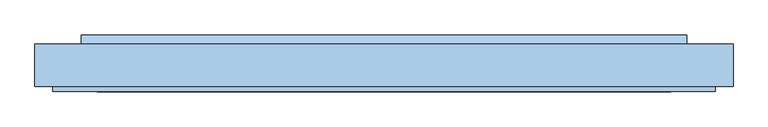
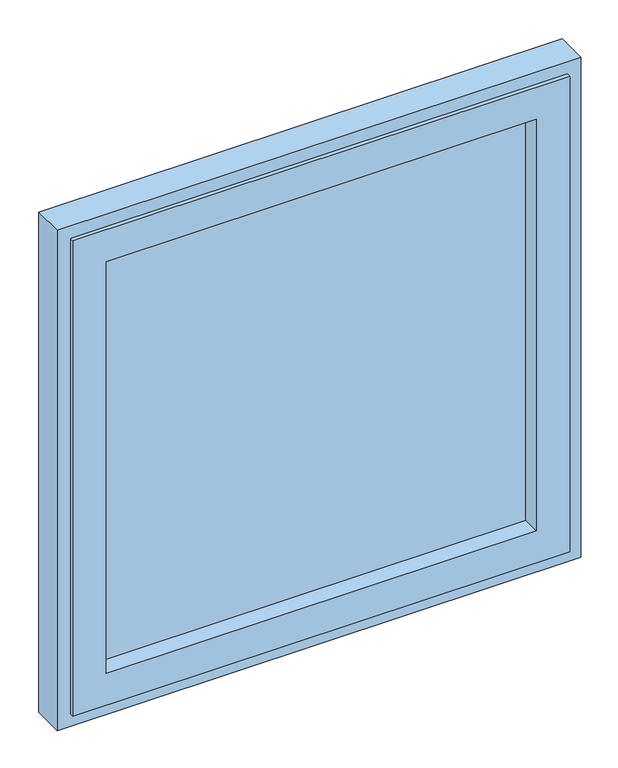
"""IFC4 building model written with IfcOpenShell, lengths in millimetres: window geometry."""

import ifcopenshell
import ifcopenshell.guid

model = None  # the IFC model being written
_history = None  # IfcOwnerHistory: only IFC2X3 demands one
_inside = {}  # id of a spatial element -> (the spatial element, [elements in it])
_under = {}  # id of a project, library or spatial element -> (it, [spatial elements below it])
_declared = {}  # id of a project -> (the project, [libraries it declares])
_typed = {}  # id of a type object -> (the type object, [elements of that type])
_made_of = {}  # id of a material, layer set ... -> (it, [elements and type objects made of it])


def new_model(schema):
    """Start an empty IFC model of exactly this schema.

    Asked for "IFC4X3", IfcOpenShell would pick the latest addendum, in which some entities
    have other attributes; the version numbers below select the first issue.
    IFC2X3 requires an IfcOwnerHistory on every rooted entity: one is made here for all.
    """
    global model, _history
    if schema == "IFC4X3":
        model = ifcopenshell.file(schema_version=(4, 3, 0, 0))
    else:
        model = ifcopenshell.file(schema=schema)
    _inside.clear()
    _under.clear()
    _declared.clear()
    _typed.clear()
    _made_of.clear()
    _history = None
    if model.schema == "IFC2X3":
        org = make("IfcOrganization", Name="unknown")
        user = make(
            "IfcPersonAndOrganization",
            ThePerson=make("IfcPerson", FamilyName="unknown"),
            TheOrganization=org,
        )
        app = make(
            "IfcApplication",
            ApplicationDeveloper=org,
            Version="unknown",
            ApplicationFullName="unknown",
            ApplicationIdentifier="unknown",
        )
        _history = make(
            "IfcOwnerHistory",
            OwningUser=user,
            OwningApplication=app,
            ChangeAction="ADDED",
            CreationDate=0,
        )
    return model


def make(cls, **values):
    """One entity of the class cls with the attributes given. An attribute that is None is left unset."""
    return model.create_entity(
        cls, **{name: value for name, value in values.items() if value is not None}
    )


def rooted(cls, **values):
    """An entity with a GlobalId (a new one), such as an element, a storey or a relation."""
    return make(cls, GlobalId=ifcopenshell.guid.new(), OwnerHistory=_history, **values)


def si_unit(unit_type, name, prefix=None):
    """IfcSIUnit, for example si_unit("LENGTHUNIT", "METRE", prefix="MILLI")."""
    return make("IfcSIUnit", UnitType=unit_type, Prefix=prefix, Name=name)


def assignment(units):
    """IfcUnitAssignment: the units of a project."""
    return None if units is None else make("IfcUnitAssignment", Units=units)


def point(xyz):
    """IfcCartesianPoint."""
    return None if xyz is None else make("IfcCartesianPoint", Coordinates=xyz)


def direction(xyz):
    """IfcDirection."""
    return None if xyz is None else make("IfcDirection", DirectionRatios=xyz)


def frame(location, z_axis=None, x_axis=None):
    """IfcAxis2Placement3D, a coordinate frame: its origin and axes. An axis left out is left unset."""
    return make(
        "IfcAxis2Placement3D",
        Location=point(location),
        Axis=direction(z_axis),
        RefDirection=direction(x_axis),
    )


def origin():
    """The frame at (0, 0, 0) with its axes left unset."""
    return frame((0.0, 0.0, 0.0))


def place(relative_to, where):
    """IfcLocalPlacement: puts the frame where relative to a parent placement (None: the world)."""
    return make(
        "IfcLocalPlacement", PlacementRelTo=relative_to, RelativePlacement=where
    )


def context(
    kind, dimensions, precision=None, world=None, true_north=None, identifier=None
):
    """IfcGeometricRepresentationContext, for example the 3D "Model" context."""
    return make(
        "IfcGeometricRepresentationContext",
        ContextIdentifier=identifier,
        ContextType=kind,
        CoordinateSpaceDimension=dimensions,
        Precision=precision,
        WorldCoordinateSystem=world,
        TrueNorth=true_north,
    )


def project(units=None, contexts=None):
    """IfcProject with its units and contexts."""
    return rooted(
        "IfcProject",
        Name="project",
        RepresentationContexts=contexts,
        UnitsInContext=assignment(units),
    )


def spatial(cls, under=None, at=None, **own):
    """A site, building, storey or space (cls), placed at a placement, below another one or the project."""
    s = rooted(cls, ObjectPlacement=at, **own)
    if under is not None:
        _under.setdefault(under.id(), (under, []))[1].append(s)
    return s


def polyline(points):
    """IfcPolyline through the points."""
    return make("IfcPolyline", Points=[point(p) for p in points])


def outline(outer, holes=None, kind="AREA"):
    """IfcArbitraryClosedProfileDef: a profile drawn as a closed curve; with holes, ...WithVoids."""
    if holes is None:
        return make("IfcArbitraryClosedProfileDef", ProfileType=kind, OuterCurve=outer)
    return make(
        "IfcArbitraryProfileDefWithVoids",
        ProfileType=kind,
        OuterCurve=outer,
        InnerCurves=holes,
    )


def extrude(swept, where, along, depth):
    """IfcExtrudedAreaSolid: the profile swept, set in the frame where, extruded along a direction by depth."""
    return make(
        "IfcExtrudedAreaSolid",
        SweptArea=swept,
        Position=where,
        ExtrudedDirection=direction(along),
        Depth=depth,
    )


def faces_of(points, faces, orient=None, outer=None):
    """IfcFace entities. A face is a list of loops; a loop is a list of indices into points, from 0.

    orient and outer hold one flag for each loop. By default every Orientation is true, the
    first loop of a face is its IfcFaceOuterBound and the others are IfcFaceBound.
    """
    made = []
    for i, loops in enumerate(faces):
        bounds = []
        for j, loop in enumerate(loops):
            is_outer = j == 0 if outer is None else outer[i][j]
            bounds.append(
                make(
                    "IfcFaceOuterBound" if is_outer else "IfcFaceBound",
                    Bound=make("IfcPolyLoop", Polygon=[points[k] for k in loop]),
                    Orientation=True if orient is None else orient[i][j],
                )
            )
        made.append(make("IfcFace", Bounds=bounds))
    return made


def faceted_brep(points, faces, orient=None, outer=None, voids=None):
    """IfcFacetedBrep: a solid bounded by flat faces; with voids (closed shells), ...WithVoids."""
    shared = [point(p) for p in points]
    hull = make("IfcClosedShell", CfsFaces=faces_of(shared, faces, orient, outer))
    if voids is None:
        return make("IfcFacetedBrep", Outer=hull)
    return make(
        "IfcFacetedBrepWithVoids",
        Outer=hull,
        Voids=[
            make(cls, CfsFaces=faces_of(shared, fs, o, b)) for cls, fs, o, b in voids
        ],
    )


def shape(context_of_items, identifier, shape_type, items):
    """IfcShapeRepresentation: the items that make up one representation, for example the "Body"."""
    return make(
        "IfcShapeRepresentation",
        ContextOfItems=context_of_items,
        RepresentationIdentifier=identifier,
        RepresentationType=shape_type,
        Items=items,
    )


def source(mapping_origin, context_of_items, identifier, shape_type, items):
    """IfcRepresentationMap: a shape defined once, which mapped items show again and again."""
    return make(
        "IfcRepresentationMap",
        MappingOrigin=mapping_origin,
        MappedRepresentation=shape(context_of_items, identifier, shape_type, items),
    )


def transform(
    local_origin,
    x_axis=None,
    y_axis=None,
    z_axis=None,
    scale=None,
    scale2=None,
    scale3=None,
    uniform=True,
):
    """IfcCartesianTransformationOperator3D, or its non-uniform kind. x_axis, y_axis, z_axis: its Axis1, 2, 3."""
    if uniform:
        return make(
            "IfcCartesianTransformationOperator3D",
            Axis1=direction(x_axis),
            Axis2=direction(y_axis),
            LocalOrigin=point(local_origin),
            Scale=scale,
            Axis3=direction(z_axis),
        )
    return make(
        "IfcCartesianTransformationOperator3DnonUniform",
        Axis1=direction(x_axis),
        Axis2=direction(y_axis),
        LocalOrigin=point(local_origin),
        Scale=scale,
        Axis3=direction(z_axis),
        Scale2=scale2,
        Scale3=scale3,
    )


def mapped(mapping_source, mapping_target):
    """IfcMappedItem: shows the shape of a source again, moved by a transform."""
    return make(
        "IfcMappedItem", MappingSource=mapping_source, MappingTarget=mapping_target
    )


def made_of(thing, what):
    """Note that an element or type object is made of a material, layer set ...; save() writes the relation."""
    if what is not None:
        _made_of.setdefault(what.id(), (what, []))[1].append(thing)
    return thing


def element(
    cls,
    number,
    at=None,
    inside=None,
    cuts=None,
    type_object=None,
    material=None,
    context=None,
    identifier="Body",
    shape_type=None,
    held_by="IfcProductDefinitionShape",
    body=None,
    shapes=None,
    **own,
):
    """One element of the class cls, such as IfcWall. Its Tag is "e" and its number.

    at: its placement. inside: the storey or other place that contains it. cuts: it is an
    opening in that element (IfcRelVoidsElement). A single representation is given by context,
    identifier, shape_type and body (its items); several are given by shapes. held_by: the class
    of the entity that holds the representations. save() writes the other relations.
    """
    e = rooted(cls, Tag="e%d" % number, ObjectPlacement=at, **own)
    if body is not None:
        shapes = [shape(context, identifier, shape_type, body)]
    if shapes is not None:
        e.Representation = make(held_by, Representations=shapes)
    if inside is not None:
        _inside.setdefault(inside.id(), (inside, []))[1].append(e)
    if cuts is not None:
        rooted(
            "IfcRelVoidsElement", RelatingBuildingElement=cuts, RelatedOpeningElement=e
        )
    if type_object is not None:
        _typed.setdefault(type_object.id(), (type_object, []))[1].append(e)
    return made_of(e, material)


def aggregate(whole, parts):
    """IfcRelAggregates: a whole, such as a stair, and the parts it consists of."""
    return rooted("IfcRelAggregates", RelatingObject=whole, RelatedObjects=parts)


def save(model, path):
    """Write the relations noted so far, then the file.

    IfcRelAggregates (storeys below a building ...), IfcRelContainedInSpatialStructure (elements
    in a storey), IfcRelDefinesByType, IfcRelAssociatesMaterial and IfcRelDeclares: one each for
    every whole, place, type object, material and project.
    """
    for whole, parts in _under.values():
        aggregate(whole, parts)
    for where, things in _inside.values():
        rooted(
            "IfcRelContainedInSpatialStructure",
            RelatedElements=things,
            RelatingStructure=where,
        )
    for kind, things in _typed.values():
        rooted("IfcRelDefinesByType", RelatedObjects=things, RelatingType=kind)
    for what, things in _made_of.values():
        rooted("IfcRelAssociatesMaterial", RelatedObjects=things, RelatingMaterial=what)
    for by, libraries in _declared.values():
        rooted("IfcRelDeclares", RelatingContext=by, RelatedDefinitions=libraries)
    model.write(path)


def window_acf29aeb(model_context):
    return source(origin(), model_context, "Body", "SolidModel", [
        faceted_brep([(-546.0000002, -70.0, 29.0), (-546.0000002, -61.0, 29.0), (546.0000002, -61.0, 29.0), (546.0000002, -70.0, 29.0), (-515.0000002, 0.0, 60.0), (-515.0000002, 9.0, 60.0), (515.0000002, 9.0, 60.0), (515.0000002, 0.0, 60.0), (-472.0000002, 9.0, 103.0), (-472.0000002, -70.0, 103.0), (472.0000002, -70.0, 103.0), (472.0000002, 9.0, 103.0), (546.0000002, -61.0, 1133.5), (546.0000002, -70.0, 1133.5), (515.0000002, 9.0, 1102.5), (515.0000002, 0.0, 1102.5), (472.0000002, -70.0, 1059.5), (472.0000002, 9.0, 1059.5), (-546.0000002, -61.0, 1133.5), (-546.0000002, -70.0, 1133.5), (-515.0000002, 9.0, 1102.5), (-515.0000002, 0.0, 1102.5), (-472.0000002, -70.0, 1059.5), (-472.0000002, 9.0, 1059.5), (-521.0000002, 0.0, 54.0), (-521.0000002, 0.0, 1108.5), (521.0000002, 0.0, 1108.5), (521.0000002, 0.0, 54.0), (-521.0000002, -61.0, 54.0), (521.0000002, -61.0, 54.0), (521.0000002, -61.0, 1108.5), (-521.0000002, -61.0, 1108.5)], [[[0, 1, 2, 3]], [[4, 5, 6, 7]], [[8, 9, 10, 11]], [[3, 2, 12, 13]], [[7, 6, 14, 15]], [[11, 10, 16, 17]], [[13, 12, 18, 19]], [[15, 14, 20, 21]], [[17, 16, 22, 23]], [[19, 18, 1, 0]], [[5, 20, 14, 6], [11, 17, 23, 8]], [[21, 20, 5, 4]], [[24, 25, 26, 27], [7, 15, 21, 4]], [[23, 22, 9, 8]], [[3, 13, 19, 0], [9, 22, 16, 10]], [[28, 24, 27, 29]], [[29, 27, 26, 30]], [[30, 26, 25, 31]], [[1, 18, 12, 2], [29, 30, 31, 28]], [[31, 25, 24, 28]]]),
        extrude(outline(polyline([(472.0000002, -30.0), (-472.0000002, -30.0), (-472.0000002, 0.0), (472.0000002, 0.0), (472.0000002, -30.0)])), frame((0.0, 0.0, 103.0), z_axis=(0.0, 0.0, 1.0), x_axis=(1.0, 0.0, 0.0)), (0.0, 0.0, 1.0), 956.5),
        extrude(outline(polyline([(24.0, 60.0), (9.0, 60.0), (9.0, 72.5), (24.0, 65.0), (24.0, 60.0)])), frame((-499.0000002, 0.0, 0.0), z_axis=(1.0, 0.0, 0.0), x_axis=(0.0, 1.0, 0.0)), (0.0, 0.0, 1.0), 998.0000003),
        faceted_brep([(521.0000002, 0.0, 54.0), (521.0000002, 9.0, 54.0), (-521.0000002, 9.0, 54.0), (-521.0000002, 0.0, 54.0), (543.0000002, -61.0, 32.0), (543.0000002, 0.0, 32.0), (-543.0000002, 0.0, 32.0), (-543.0000002, -61.0, 32.0), (575.0000002, 9.0, 0.0), (575.0000002, -61.0, 0.0), (-575.0000002, -61.0, 0.0), (-575.0000002, 9.0, 0.0), (-521.0000002, 9.0, 1108.5), (-521.0000002, 0.0, 1108.5), (-543.0000002, 0.0, 1130.5), (-543.0000002, -61.0, 1130.5), (-575.0000002, -61.0, 1162.5), (-575.0000002, 9.0, 1162.5), (521.0000002, 9.0, 1108.5), (521.0000002, 0.0, 1108.5), (543.0000002, 0.0, 1130.5), (543.0000002, -61.0, 1130.5), (575.0000002, -61.0, 1162.5), (575.0000002, 9.0, 1162.5)], [[[0, 1, 2, 3]], [[4, 5, 6, 7]], [[8, 9, 10, 11]], [[3, 2, 12, 13]], [[7, 6, 14, 15]], [[11, 10, 16, 17]], [[13, 12, 18, 19]], [[15, 14, 20, 21]], [[17, 16, 22, 23]], [[19, 18, 1, 0]], [[5, 20, 14, 6], [3, 13, 19, 0]], [[21, 20, 5, 4]], [[9, 22, 16, 10], [7, 15, 21, 4]], [[23, 22, 9, 8]], [[11, 17, 23, 8], [1, 18, 12, 2]]]),
    ])


if __name__ == "__main__":
    model = new_model("IFC4")
    model_context = context("Model", 3, world=origin())
    ifc_project = project(units=[si_unit("LENGTHUNIT", "METRE", prefix="MILLI")], contexts=[model_context])
    site = spatial("IfcSite", under=ifc_project)
    building = spatial("IfcBuilding", under=site)
    placement = place(None, origin())
    window_shape = window_acf29aeb(model_context)
    element("IfcWindow", 1, at=placement, inside=building, context=model_context, shape_type="MappedRepresentation", body=[
        mapped(window_shape, transform((0.0, 0.0, 0.0), x_axis=(1.0, 0.0, 0.0), y_axis=(0.0, 1.0, 0.0), z_axis=(0.0, 0.0, 1.0))),
    ])
    save(model, "model.ifc")
